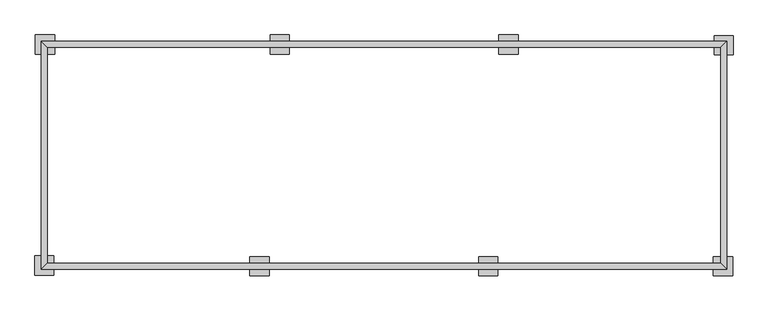
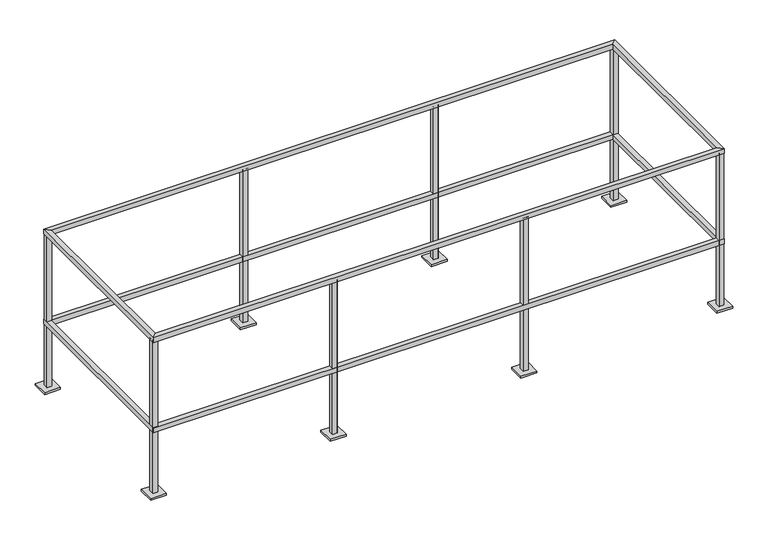
"""IFC4 building model written with IfcOpenShell, lengths in millimetres: railing geometry."""

from ifc_helpers import new_model, si_unit, frame, origin, origin_with_axes, place, context, project, spatial, polyline, outline, extrude, faceted_brep, source, transform, mapped, element, save


def railing_79bbac0f(model_context):
    return source(origin(), model_context, "Body", "SolidModel", [
        faceted_brep([(-14272.9458618, -10591.2102856, 1066.8), (-14304.6958618, -10622.9602856, 1066.8), (-10653.4458618, -10622.9602856, 1066.8), (-10685.1958618, -10591.2102856, 1066.8), (-14304.6958618, -10622.9602856, 1035.05), (-10653.4458618, -10622.9602856, 1035.05), (-14272.9458618, -10591.2102856, 1035.05), (-10685.1958618, -10591.2102856, 1035.05), (-10685.1958618, -9441.8602856, 1066.8), (-10685.1958618, -9441.8602856, 1035.05), (-10653.4458618, -9410.1102856, 1035.05), (-10653.4458618, -9410.1102856, 1066.8), (-14272.9458618, -9441.8602856, 1066.8), (-14272.9458618, -9441.8602856, 1035.05), (-14304.6958618, -9410.1102856, 1035.05), (-14304.6958618, -9410.1102856, 1066.8)], [[[0, 1, 2, 3]], [[1, 4, 5, 2]], [[4, 6, 7, 5]], [[6, 0, 3, 7]], [[7, 3, 8, 9]], [[5, 7, 9, 10]], [[2, 5, 10, 11]], [[3, 2, 11, 8]], [[9, 8, 12, 13]], [[10, 9, 13, 14]], [[11, 10, 14, 15]], [[8, 11, 15, 12]], [[13, 12, 0, 6]], [[14, 13, 6, 4]], [[15, 14, 4, 1]], [[12, 15, 1, 0]]]),
        faceted_brep([(-10685.1958618, -10591.2102856, 425.45), (-10685.1958618, -10591.2102856, 457.2), (-10685.1958618, -9441.8602856, 457.2), (-10685.1958618, -9441.8602856, 425.45), (-10653.4458618, -10622.9602856, 425.45), (-10653.4458618, -9410.1102856, 425.45), (-10653.4458618, -10622.9602856, 457.2), (-10653.4458618, -9410.1102856, 457.2), (-14272.9458618, -9441.8602856, 457.2), (-14272.9458618, -9441.8602856, 425.45), (-14304.6958618, -9410.1102856, 425.45), (-14304.6958618, -9410.1102856, 457.2), (-14272.9458618, -10591.2102856, 457.2), (-14272.9458618, -10591.2102856, 425.45), (-14304.6958618, -10622.9602856, 425.45), (-14304.6958618, -10622.9602856, 457.2)], [[[0, 1, 2, 3]], [[4, 0, 3, 5]], [[6, 4, 5, 7]], [[1, 6, 7, 2]], [[3, 2, 8, 9]], [[5, 3, 9, 10]], [[7, 5, 10, 11]], [[2, 7, 11, 8]], [[9, 8, 12, 13]], [[10, 9, 13, 14]], [[11, 10, 14, 15]], [[8, 11, 15, 12]], [[13, 12, 1, 0]], [[14, 13, 0, 4]], [[15, 14, 4, 6]], [[12, 15, 6, 1]]]),
        extrude(outline(polyline([(-11907.5355971, -10622.9602856), (-11939.2855971, -10622.9602856), (-11939.2855971, -10591.2102856), (-11907.5355971, -10591.2102856), (-11907.5355971, -10622.9602856)]), holes=[polyline([(-11937.6980971, -10592.7977856), (-11937.6980971, -10621.3727856), (-11909.1230971, -10621.3727856), (-11909.1230971, -10592.7977856), (-11937.6980971, -10592.7977856)])]), frame((0.0, 0.0, 12.7), z_axis=(0.0, 0.0, 1.0), x_axis=(1.0, 0.0, 0.0)), (0.0, 0.0, 1.0), 1035.05),
        extrude(outline(polyline([(-11872.6105971, -10556.2852856), (-11872.6105971, -10657.8852856), (-11974.2105971, -10657.8852856), (-11974.2105971, -10556.2852856), (-11872.6105971, -10556.2852856)])), origin_with_axes(), (0.0, 0.0, 1.0), 12.7),
        extrude(outline(polyline([(-13126.7355971, -10622.9602856), (-13158.4855971, -10622.9602856), (-13158.4855971, -10591.2102856), (-13126.7355971, -10591.2102856), (-13126.7355971, -10622.9602856)]), holes=[polyline([(-13156.8980971, -10592.7977856), (-13156.8980971, -10621.3727856), (-13128.3230971, -10621.3727856), (-13128.3230971, -10592.7977856), (-13156.8980971, -10592.7977856)])]), frame((0.0, 0.0, 12.7), z_axis=(0.0, 0.0, 1.0), x_axis=(1.0, 0.0, 0.0)), (0.0, 0.0, 1.0), 1035.05),
        extrude(outline(polyline([(-13091.8105971, -10556.2852856), (-13091.8105971, -10657.8852856), (-13193.4105971, -10657.8852856), (-13193.4105971, -10556.2852856), (-13091.8105971, -10556.2852856)])), origin_with_axes(), (0.0, 0.0, 1.0), 12.7),
        extrude(outline(polyline([(-13050.6061266, -9410.1102856), (-13018.8561266, -9410.1102856), (-13018.8561266, -9441.8602856), (-13050.6061266, -9441.8602856), (-13050.6061266, -9410.1102856)]), holes=[polyline([(-13020.4436266, -9440.2727856), (-13020.4436266, -9411.6977856), (-13049.0186266, -9411.6977856), (-13049.0186266, -9440.2727856), (-13020.4436266, -9440.2727856)])]), frame((0.0, 0.0, 12.7), z_axis=(0.0, 0.0, 1.0), x_axis=(1.0, 0.0, 0.0)), (0.0, 0.0, 1.0), 1035.05),
        extrude(outline(polyline([(-13085.5311266, -9476.7852856), (-13085.5311266, -9375.1852856), (-12983.9311266, -9375.1852856), (-12983.9311266, -9476.7852856), (-13085.5311266, -9476.7852856)])), origin_with_axes(), (0.0, 0.0, 1.0), 12.7),
        extrude(outline(polyline([(-11831.4061266, -9410.1102856), (-11799.6561266, -9410.1102856), (-11799.6561266, -9441.8602856), (-11831.4061266, -9441.8602856), (-11831.4061266, -9410.1102856)]), holes=[polyline([(-11801.2436266, -9440.2727856), (-11801.2436266, -9411.6977856), (-11829.8186266, -9411.6977856), (-11829.8186266, -9440.2727856), (-11801.2436266, -9440.2727856)])]), frame((0.0, 0.0, 12.7), z_axis=(0.0, 0.0, 1.0), x_axis=(1.0, 0.0, 0.0)), (0.0, 0.0, 1.0), 1035.05),
        extrude(outline(polyline([(-11866.3311266, -9476.7852856), (-11866.3311266, -9375.1852856), (-11764.7311266, -9375.1852856), (-11764.7311266, -9476.7852856), (-11866.3311266, -9476.7852856)])), origin_with_axes(), (0.0, 0.0, 1.0), 12.7),
        extrude(outline(polyline([(-10656.5855971, -10622.9602856), (-10688.3355971, -10622.9602856), (-10688.3355971, -10591.2102856), (-10656.5855971, -10591.2102856), (-10656.5855971, -10622.9602856)]), holes=[polyline([(-10686.7480971, -10592.7977856), (-10686.7480971, -10621.3727856), (-10658.1730971, -10621.3727856), (-10658.1730971, -10592.7977856), (-10686.7480971, -10592.7977856)])]), frame((0.0, 0.0, 12.7), z_axis=(0.0, 0.0, 1.0), x_axis=(1.0, 0.0, 0.0)), (0.0, 0.0, 1.0), 1035.05),
        extrude(outline(polyline([(-10621.6605971, -10556.2852856), (-10621.6605971, -10657.8852856), (-10723.2605971, -10657.8852856), (-10723.2605971, -10556.2852856), (-10621.6605971, -10556.2852856)])), origin_with_axes(), (0.0, 0.0, 1.0), 12.7),
        extrude(outline(polyline([(-14304.6958618, -10619.8205503), (-14304.6958618, -10588.0705503), (-14272.9458618, -10588.0705503), (-14272.9458618, -10619.8205503), (-14304.6958618, -10619.8205503)]), holes=[polyline([(-14274.5333618, -10589.6580503), (-14303.1083618, -10589.6580503), (-14303.1083618, -10618.2330503), (-14274.5333618, -10618.2330503), (-14274.5333618, -10589.6580503)])]), frame((0.0, 0.0, 12.7), z_axis=(0.0, 0.0, 1.0), x_axis=(1.0, 0.0, 0.0)), (0.0, 0.0, 1.0), 1035.05),
        extrude(outline(polyline([(-14238.0208618, -10654.7455503), (-14339.6208618, -10654.7455503), (-14339.6208618, -10553.1455503), (-14238.0208618, -10553.1455503), (-14238.0208618, -10654.7455503)])), origin_with_axes(), (0.0, 0.0, 1.0), 12.7),
        extrude(outline(polyline([(-14301.5561266, -9410.1102856), (-14269.8061266, -9410.1102856), (-14269.8061266, -9441.8602856), (-14301.5561266, -9441.8602856), (-14301.5561266, -9410.1102856)]), holes=[polyline([(-14271.3936266, -9440.2727856), (-14271.3936266, -9411.6977856), (-14299.9686266, -9411.6977856), (-14299.9686266, -9440.2727856), (-14271.3936266, -9440.2727856)])]), frame((0.0, 0.0, 12.7), z_axis=(0.0, 0.0, 1.0), x_axis=(1.0, 0.0, 0.0)), (0.0, 0.0, 1.0), 1035.05),
        extrude(outline(polyline([(-14336.4811266, -9476.7852856), (-14336.4811266, -9375.1852856), (-14234.8811266, -9375.1852856), (-14234.8811266, -9476.7852856), (-14336.4811266, -9476.7852856)])), origin_with_axes(), (0.0, 0.0, 1.0), 12.7),
        extrude(outline(polyline([(-10653.4458618, -9413.2500209), (-10653.4458618, -9445.0000209), (-10685.1958618, -9445.0000209), (-10685.1958618, -9413.2500209), (-10653.4458618, -9413.2500209)]), holes=[polyline([(-10683.6083618, -9443.4125209), (-10655.0333618, -9443.4125209), (-10655.0333618, -9414.8375209), (-10683.6083618, -9414.8375209), (-10683.6083618, -9443.4125209)])]), frame((0.0, 0.0, 12.7), z_axis=(0.0, 0.0, 1.0), x_axis=(1.0, 0.0, 0.0)), (0.0, 0.0, 1.0), 1035.05),
        extrude(outline(polyline([(-10720.1208618, -9378.3250209), (-10618.5208618, -9378.3250209), (-10618.5208618, -9479.9250209), (-10720.1208618, -9479.9250209), (-10720.1208618, -9378.3250209)])), origin_with_axes(), (0.0, 0.0, 1.0), 12.7),
    ])


if __name__ == "__main__":
    model = new_model("IFC4")
    model_context = context("Model", 3, world=origin())
    ifc_project = project(units=[si_unit("LENGTHUNIT", "METRE", prefix="MILLI")], contexts=[model_context])
    site = spatial("IfcSite", under=ifc_project)
    building = spatial("IfcBuilding", under=site)
    placement = place(None, origin())
    railing_shape = railing_79bbac0f(model_context)
    element("IfcRailing", 1, at=placement, inside=building, context=model_context, shape_type="MappedRepresentation", body=[
        mapped(railing_shape, transform((0.0, 0.0, 0.0), x_axis=(1.0, 0.0, 0.0), y_axis=(0.0, 1.0, 0.0), z_axis=(0.0, 0.0, 1.0))),
    ])
    save(model, "model.ifc")
